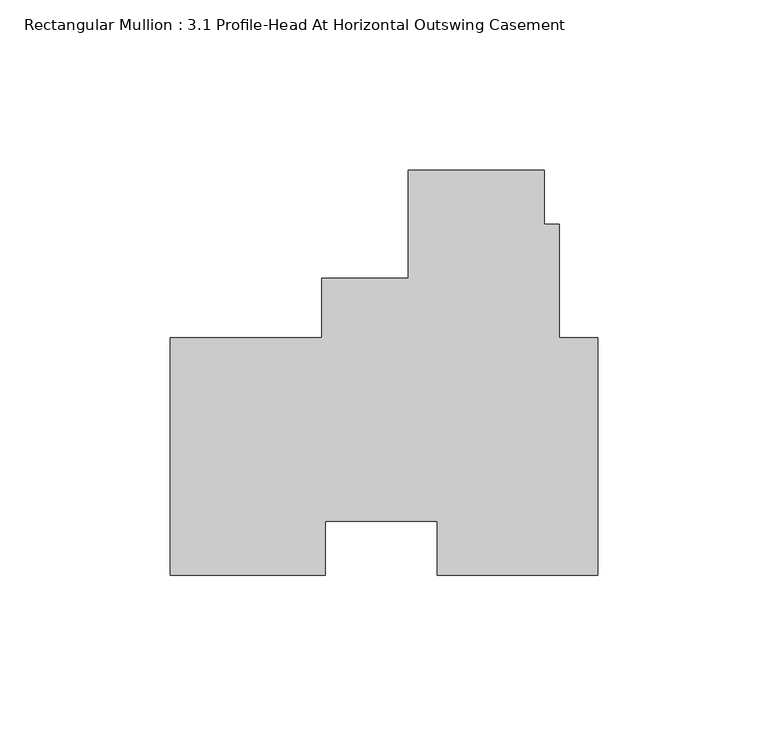
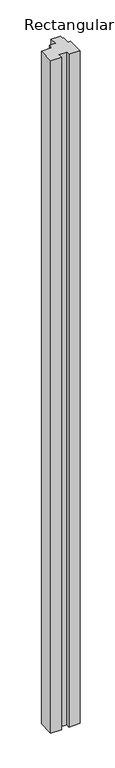
"""IFC4 building model written with IfcOpenShell, lengths in millimetres: member geometry, Rectangular Mullion : 3.1 Profile-Head At Horizontal Outswing Casement."""

from ifc_helpers import new_model, si_unit, frame, origin, place, context, project, spatial, polyline, outline, extrude, source, transform, mapped, element, save


def rectangular_mullion_3_1_profile_head_at_horizontal_outswing_d1f567ab(model_context):
    return source(origin(), model_context, "Body", "SweptSolid", [
        extrude(outline(polyline([(-55.7482204, 84.14837), (-15.7432204, 84.14837), (-15.7432204, 68.2742795), (-11.2982204, 68.2742795), (-11.2982204, 34.925), (0.0, 34.925), (0.0, -34.925), (-47.2929813, -34.925), (-47.2929813, -19.05), (-80.1878, -19.05), (-80.1878, -34.925), (-125.7808, -34.925), (-125.7808, 34.925), (-81.140198, 34.925), (-81.140198, 52.4002), (-55.7482204, 52.4002), (-55.7482204, 84.14837)])), frame((0.0, 0.0, -3048.0), z_axis=(0.0, 0.0, 1.0), x_axis=(1.0, 0.0, 0.0)), (0.0, 0.0, 1.0), 3048.0),
    ])


if __name__ == "__main__":
    model = new_model("IFC4")
    model_context = context("Model", 3, world=origin())
    ifc_project = project(units=[si_unit("LENGTHUNIT", "METRE", prefix="MILLI")], contexts=[model_context])
    site = spatial("IfcSite", under=ifc_project)
    building = spatial("IfcBuilding", under=site)
    placement = place(None, origin())
    rectangular_mullion_3_1_profile_head_at_horizontal_outswing_shape = rectangular_mullion_3_1_profile_head_at_horizontal_outswing_d1f567ab(model_context)
    element("IfcMember", 1, ObjectType="Rectangular Mullion : 3.1 Profile-Head At Horizontal Outswing Casement", at=placement, inside=building, context=model_context, shape_type="MappedRepresentation", body=[
        mapped(rectangular_mullion_3_1_profile_head_at_horizontal_outswing_shape, transform((0.0, 0.0, 0.0), x_axis=(1.0, 0.0, 0.0), y_axis=(0.0, 1.0, 0.0), z_axis=(0.0, 0.0, 1.0))),
    ])
    save(model, "model.ifc")
